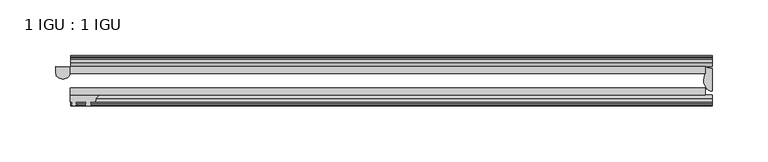
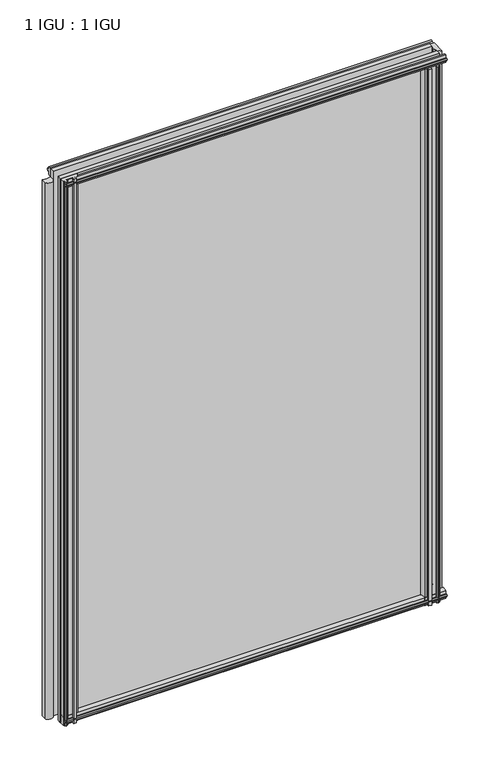
"""IFC4 building model written with IfcOpenShell, lengths in millimetres: plate geometry, 1 IGU : 1 IGU."""

from ifc_helpers import new_model, si_unit, point, frame, frame_2d, origin, place, context, project, spatial, polyline, circle_curve, ellipse_curve, trimmed, segment, composite_curve, outline, extrude, source, transform, mapped, element, save
from ifc_brep_helpers import plane_surface, cylinder_surface, revolved_surface, extruded_surface, advanced_brep


def plate_1_igu_1_igu_8ae3be82(model_context):
    return source(origin(), model_context, "Body", "SolidModel", [
        extrude(outline(polyline([(-253.9035758, -38.6468937), (314.3277946, -38.6468937), (314.3277946, -44.9460938), (-253.9035758, -44.9460938), (-253.9035758, -38.6468937)])), frame((0.0, 0.0, -12.7), z_axis=(0.0, 0.0, 1.0), x_axis=(1.0, 0.0, 0.0)), (0.0, 0.0, 1.0), 863.5999996),
        extrude(outline(polyline([(-253.9035758, -19.5460937), (314.3277946, -19.5460937), (314.3277946, -25.8960938), (-253.9035758, -25.8960938), (-253.9035758, -19.5460937)])), frame((0.0, 0.0, -12.7), z_axis=(0.0, 0.0, 1.0), x_axis=(1.0, 0.0, 0.0)), (0.0, 0.0, 1.0), 863.5999996),
        advanced_brep(
        [(-266.5794103, -19.5460937, 838.1999996), (-266.5794103, -25.8452937, 838.1999996), (-253.8794103, -25.8452937, 838.1999996), (-253.8794103, -19.5460937, 838.1999996), (-266.5794103, -19.5460937, -12.7), (-253.8794103, -19.5460937, -12.7), (-253.8794103, -25.8452937, -12.7), (-266.5794103, -25.8452937, -12.7)],
        [
            (0, 1),
            (1, 2, ellipse_curve(frame((-260.2294103, -25.8452937, 838.1999996), z_axis=(0.0, 0.0, 1.0), x_axis=(1.0, 0.0, 0.0)), 6.35, 4.7800819)),
            (2, 3),
            (3, 0, circle_curve(frame((-260.2294103, 20.9435078, 838.1999996), z_axis=(0.0, 0.0, -1.0), x_axis=(0.0, 1.0, 0.0)), 40.9845134)),
            (4, 5, circle_curve(frame((-260.2294103, 20.9435078, -12.7), z_axis=(0.0, 0.0, 1.0), x_axis=(0.0, 1.0, 0.0)), 40.9845134)),
            (5, 6),
            (6, 7, ellipse_curve(frame((-260.2294103, -25.8452937, -12.7), z_axis=(0.0, 0.0, -1.0), x_axis=(1.0, 0.0, 0.0)), 6.35, 4.7800819)),
            (7, 4),
            (0, 4),
            (7, 1),
            (6, 2),
            (5, 3),
        ],
        [
            plane_surface(frame((-253.2090446, -13.1960937, 838.1999996), z_axis=(0.0, 0.0, 1.0), x_axis=(0.0, 1.0, 0.0))),
            plane_surface(frame((-253.2090446, -13.1960937, -12.7), z_axis=(0.0, 0.0, -1.0), x_axis=(0.0, 1.0, 0.0))),
            plane_surface(frame((-266.5794103, -19.5460937, 838.1999996), z_axis=(-1.0, 0.0, 0.0), x_axis=(0.0, 0.0, -1.0))),
            extruded_surface(trimmed(ellipse_curve(frame((-260.2294103, -25.8452937, -12.7), z_axis=(0.0, 0.0, 1.0), x_axis=(1.0, 0.0, 0.0)), 6.35, 4.7800819), [point((-266.5794103, -25.8452937, -12.7))], [point((-253.8794103, -25.8452937, -12.7))], True, "CARTESIAN"), (0.0, 0.0, 850.8999996), 850.8999996),
            plane_surface(frame((-253.8794103, -25.8452937, 838.1999996), z_axis=(1.0, 0.0, 0.0), x_axis=(0.0, 0.0, -1.0))),
            revolved_surface(polyline([(-260.2294103, 61.928021199999996, -12.700000000000045), (-260.2294103, 61.928021199999996, 838.1999996)]), (-260.2294103, 20.9435078, 838.1999996), (0.0, 0.0, -1.0)),
        ],
        [
            (0, [[1, 2, 3, 4]]),
            (1, [[5, 6, 7, 8]]),
            (2, [[-1, 9, -8, 10]]),
            (3, [[-2, -10, -7, 11]]),
            (4, [[-3, -11, -6, 12]]),
            (5, [[-4, -12, -5, -9]]),
        ],
    ),
        advanced_brep(
        [(320.6777946, -21.1709383, -12.4587), (320.6777946, -41.5384061, -12.4587), (313.1554574, -32.2460938, -12.4587), (314.3277946, -25.8452938, -12.4587), (314.3277946, -19.5460938, -12.4587), (320.6777946, -21.1709383, 850.8999996), (314.3277946, -19.5460938, 850.8999996), (314.3277946, -25.8452938, 850.8999996), (313.1554574, -32.2460938, 850.8999996), (320.6777946, -41.5384061, 850.8999996)],
        [
            (0, 1),
            (1, 2, ellipse_curve(frame((320.6777946, -32.2460938, -12.4587), z_axis=(0.0, 0.0, -1.0), x_axis=(0.0, -1.0, 0.0)), 9.2923124, 7.5223371)),
            (2, 3, circle_curve(frame((331.2153709, -32.2460938, -12.4587), z_axis=(0.0, 0.0, -1.0), x_axis=(1.0, 0.0, 0.0)), 18.0599135)),
            (3, 4),
            (4, 0, circle_curve(frame((320.6777946, -7.950406, -12.4587), z_axis=(0.0, 0.0, 1.0), x_axis=(1.0, 0.0, 0.0)), 13.2205323)),
            (5, 6, circle_curve(frame((320.6777946, -7.950406, 850.8999996), z_axis=(0.0, 0.0, -1.0), x_axis=(1.0, 0.0, 0.0)), 13.2205323)),
            (6, 7),
            (7, 8, circle_curve(frame((331.2153709, -32.2460938, 850.8999996), z_axis=(0.0, 0.0, 1.0), x_axis=(1.0, 0.0, 0.0)), 18.0599135)),
            (8, 9, ellipse_curve(frame((320.6777946, -32.2460938, 850.8999996), z_axis=(0.0, 0.0, 1.0), x_axis=(0.0, -1.0, 0.0)), 9.2923124, 7.5223371)),
            (9, 5),
            (1, 9),
            (8, 2),
            (7, 3),
            (6, 4),
            (5, 0),
        ],
        [
            plane_surface(frame((320.6777946, -13.1960938, -12.4587), z_axis=(0.0, 0.0, -1.0), x_axis=(0.0, 1.0, 0.0))),
            plane_surface(frame((320.6777946, -13.1960938, 850.8999996), z_axis=(0.0, 0.0, 1.0), x_axis=(0.0, 1.0, 0.0))),
            extruded_surface(trimmed(ellipse_curve(frame((320.6777946, -32.2460938, 850.8999996), z_axis=(0.0, 0.0, -1.0), x_axis=(0.0, -1.0, 0.0)), 9.2923124, 7.5223371), [point((320.6777946, -41.5384061, 850.8999996))], [point((313.1554574, -32.2460938, 850.8999996))], True, "CARTESIAN"), (0.0, 0.0, -863.3586996), 863.3586996),
            cylinder_surface(frame((331.2153709, -32.2460938, -12.4587), z_axis=(0.0, 0.0, -1.0), x_axis=(1.0, 0.0, 0.0)), 18.0599135),
            plane_surface(frame((314.3277946, -25.8452938, -12.4587), z_axis=(-1.0, 0.0, 0.0), x_axis=(0.0, 0.0, 1.0))),
            revolved_surface(polyline([(333.89832690000003, -7.950406, 850.8999996), (333.89832690000003, -7.950406, -12.4587)]), (320.6777946, -7.950406, -12.4587), (0.0, 0.0, 1.0)),
            plane_surface(frame((320.6777946, -21.1709383, -12.4587), z_axis=(1.0, 0.0, 0.0), x_axis=(0.0, 0.0, 1.0))),
        ],
        [
            (0, [[1, 2, 3, 4, 5]]),
            (1, [[6, 7, 8, 9, 10]]),
            (2, [[-2, 11, -9, 12]]),
            (3, [[-3, -12, -8, 13]]),
            (4, [[-4, -13, -7, 14]]),
            (5, [[-5, -14, -6, 15]]),
            (6, [[-1, -15, -10, -11]]),
        ],
    ),
        extrude(outline(polyline([(-44.9460937, 1.7177181), (-44.9460937, -9.1036578), (-48.3496937, -11.938), (-51.2960937, -11.938), (-51.2960937, -7.493), (-53.6762907, -7.112), (-53.2163575, -8.5275291), (-54.0175717, -8.5275291), (-54.7250937, -6.35), (-54.0175717, -4.1724709), (-53.2163575, -4.1724709), (-53.6762907, -5.588), (-51.2960937, -5.207), (-51.2960937, 0.0), (-44.9460937, 1.7177181)])), frame((-253.2090446, 0.0, 0.0), z_axis=(1.0, 0.0, 0.0), x_axis=(0.0, 1.0, 0.0)), (0.0, 0.0, 1.0), 573.8868391),
        extrude(outline(polyline([(-13.1960937, -12.4587), (-16.1424937, -12.4587), (-19.5460937, -9.6243578), (-19.5460937, 1.1970181), (-13.1960937, -0.5207), (-13.1960937, -5.7277), (-10.8158968, -6.1087), (-11.27583, -4.6931709), (-10.4746158, -4.6931709), (-9.7670937, -6.8707), (-10.4746158, -9.0482291), (-11.27583, -9.0482291), (-10.8158968, -7.6327), (-13.1960937, -8.0137), (-13.1960937, -12.4587)])), frame((-253.2090446, 0.0, 0.0), z_axis=(1.0, 0.0, 0.0), x_axis=(0.0, 1.0, 0.0)), (0.0, 0.0, 1.0), 573.8868391),
        extrude(outline(polyline([(-51.2960937, 850.1379996), (-48.3496937, 850.1379996), (-44.9460937, 847.3036575), (-44.9460937, 836.4822816), (-51.2960937, 838.1999996), (-51.2960937, 843.4069996), (-53.6762907, 843.7879996), (-53.2163575, 842.3724706), (-54.0175717, 842.3724706), (-54.7250937, 844.5499996), (-54.0175717, 846.7275287), (-53.2163575, 846.7275287), (-53.6762907, 845.3119996), (-51.2960937, 845.6929996), (-51.2960937, 850.1379996)])), frame((-253.2090446, 0.0, 0.0), z_axis=(1.0, 0.0, 0.0), x_axis=(0.0, 1.0, 0.0)), (0.0, 0.0, 1.0), 573.8868391),
        extrude(outline(polyline([(-19.5460937, 837.0029816), (-19.5460937, 847.8243575), (-16.1424937, 850.6586996), (-13.1960937, 850.6586996), (-13.1960937, 846.2136996), (-10.8158968, 845.8326996), (-11.27583, 847.2482287), (-10.4746158, 847.2482287), (-9.7670937, 845.0706996), (-10.4746158, 842.8931706), (-11.27583, 842.8931706), (-10.8158968, 844.3086996), (-13.1960937, 843.9276996), (-13.1960937, 838.7206996), (-19.5460937, 837.0029816)])), frame((-253.2090446, 0.0, 0.0), z_axis=(1.0, 0.0, 0.0), x_axis=(0.0, 1.0, 0.0)), (0.0, 0.0, 1.0), 573.8868391),
        extrude(outline(composite_curve([segment(polyline([(311.1527947, -44.9460938), (311.1527947, -51.2960938), (309.5017947, -51.2960938), (309.5017947, -52.9470938), (310.5794255, -52.9470938)]), True, "CONTINUOUS"), segment(trimmed(circle_curve(frame_2d((309.5017947, -52.9470938)), 1.0776307), [point((310.5794255, -52.9470938))], [point((310.2637947, -53.7090938))], False, "CARTESIAN"), True, "CONTINUOUS"), segment(polyline([(310.2637947, -53.7090938), (308.5245023, -54.8194621)]), True, "CONTINUOUS"), segment(trimmed(circle_curve(frame_2d((307.9777947, -53.9630938)), 1.016), [point((308.5245023, -54.8194621))], [point((307.4310871, -54.8194621))], False, "CARTESIAN"), True, "CONTINUOUS"), segment(polyline([(307.4310871, -54.8194621), (305.6917947, -53.7090938)]), True, "CONTINUOUS"), segment(trimmed(circle_curve(frame_2d((306.4537947, -52.9470938)), 1.0776307), [point((305.6917947, -53.7090938))], [point((305.376164, -52.9470938))], False, "CARTESIAN"), True, "CONTINUOUS"), segment(polyline([(305.376164, -52.9470938), (306.4537947, -52.9470938), (306.4537947, -51.2960938), (297.3859947, -51.2960938)]), True, "CONTINUOUS"), segment(trimmed(circle_curve(frame_2d((297.3859947, -51.7532938)), 0.4572), [point((297.3859947, -51.2960938))], [point((297.0471769, -52.0602698))], True, "CARTESIAN"), True, "CONTINUOUS"), segment(trimmed(circle_curve(frame_2d((295.2777947, -53.663367)), 2.3876), [point((297.0471769, -52.0602698))], [point((297.3484377, -54.8520938))], False, "CARTESIAN"), True, "CONTINUOUS"), segment(polyline([(297.3484377, -54.8520938), (293.2071517, -54.8520938)]), True, "CONTINUOUS"), segment(trimmed(circle_curve(frame_2d((295.2777947, -53.663367)), 2.3876), [point((293.2071517, -54.8520938))], [point((293.5084126, -52.0602698))], False, "CARTESIAN"), True, "CONTINUOUS"), segment(trimmed(circle_curve(frame_2d((293.1695947, -51.7532938)), 0.4572), [point((293.5084126, -52.0602698))], [point((293.1695947, -51.2960938))], True, "CARTESIAN"), True, "CONTINUOUS"), segment(polyline([(293.1695947, -51.2960938), (288.9277947, -51.2960938)]), True, "CONTINUOUS"), segment(trimmed(circle_curve(frame_2d((279.9118633, -51.9750196)), 9.0414579), [point((288.9277947, -51.2960938))], [point((285.5988802, -44.9460938))], True, "CARTESIAN"), True, "CONTINUOUS"), segment(polyline([(285.5988802, -44.9460938), (311.1527947, -44.9460938)]), True, "CONTINUOUS")], self_intersect=False)), frame((0.0, 0.0, -12.7), z_axis=(0.0, 0.0, 1.0), x_axis=(1.0, 0.0, 0.0)), (0.0, 0.0, 1.0), 850.8999996),
        extrude(outline(composite_curve([segment(trimmed(circle_curve(frame_2d((-222.2657695, -51.9750196)), 9.0414579), [point((-227.9527864, -44.9460938))], [point((-231.281701, -51.2960938))], True, "CARTESIAN"), True, "CONTINUOUS"), segment(polyline([(-231.281701, -51.2960938), (-235.523501, -51.2960938)]), True, "CONTINUOUS"), segment(trimmed(circle_curve(frame_2d((-235.523501, -51.7532938)), 0.4572), [point((-235.523501, -51.2960938))], [point((-235.8623188, -52.0602698))], True, "CARTESIAN"), True, "CONTINUOUS"), segment(trimmed(circle_curve(frame_2d((-237.631701, -53.663367)), 2.3876), [point((-235.8623188, -52.0602698))], [point((-235.561058, -54.8520938))], False, "CARTESIAN"), True, "CONTINUOUS"), segment(polyline([(-235.561058, -54.8520938), (-239.702344, -54.8520938)]), True, "CONTINUOUS"), segment(trimmed(circle_curve(frame_2d((-237.631701, -53.663367)), 2.3876), [point((-239.702344, -54.8520938))], [point((-239.4010831, -52.0602698))], False, "CARTESIAN"), True, "CONTINUOUS"), segment(trimmed(circle_curve(frame_2d((-239.739901, -51.7532938)), 0.4572), [point((-239.4010831, -52.0602698))], [point((-239.739901, -51.2960938))], True, "CARTESIAN"), True, "CONTINUOUS"), segment(polyline([(-239.739901, -51.2960938), (-248.807701, -51.2960938), (-248.807701, -52.9470938), (-247.7300702, -52.9470938)]), True, "CONTINUOUS"), segment(trimmed(circle_curve(frame_2d((-248.807701, -52.9470938)), 1.0776307), [point((-247.7300702, -52.9470938))], [point((-248.045701, -53.7090938))], False, "CARTESIAN"), True, "CONTINUOUS"), segment(polyline([(-248.045701, -53.7090938), (-249.7849934, -54.8194621)]), True, "CONTINUOUS"), segment(trimmed(circle_curve(frame_2d((-250.331701, -53.9630938)), 1.016), [point((-249.7849934, -54.8194621))], [point((-250.8784086, -54.8194621))], False, "CARTESIAN"), True, "CONTINUOUS"), segment(polyline([(-250.8784086, -54.8194621), (-252.617701, -53.7090938)]), True, "CONTINUOUS"), segment(trimmed(circle_curve(frame_2d((-251.855701, -52.9470938)), 1.0776307), [point((-252.617701, -53.7090938))], [point((-252.9333317, -52.9470938))], False, "CARTESIAN"), True, "CONTINUOUS"), segment(polyline([(-252.9333317, -52.9470938), (-251.855701, -52.9470938), (-251.855701, -51.2960938), (-253.506701, -51.2960938), (-253.506701, -44.9460938), (-227.9527864, -44.9460938)]), True, "CONTINUOUS")], self_intersect=False)), frame((0.0, 0.0, -12.7), z_axis=(0.0, 0.0, 1.0), x_axis=(1.0, 0.0, 0.0)), (0.0, 0.0, 1.0), 863.5999998),
    ])


if __name__ == "__main__":
    model = new_model("IFC4")
    model_context = context("Model", 3, world=origin())
    ifc_project = project(units=[si_unit("LENGTHUNIT", "METRE", prefix="MILLI")], contexts=[model_context])
    site = spatial("IfcSite", under=ifc_project)
    building = spatial("IfcBuilding", under=site)
    placement = place(None, origin())
    plate_1_igu_1_igu_shape = plate_1_igu_1_igu_8ae3be82(model_context)
    element("IfcPlate", 1, ObjectType="1 IGU : 1 IGU", at=placement, inside=building, context=model_context, shape_type="MappedRepresentation", body=[
        mapped(plate_1_igu_1_igu_shape, transform((0.0, 0.0, 0.0), x_axis=(1.0, 0.0, 0.0), y_axis=(0.0, 1.0, 0.0), z_axis=(0.0, 0.0, 1.0))),
    ])
    save(model, "model.ifc")
